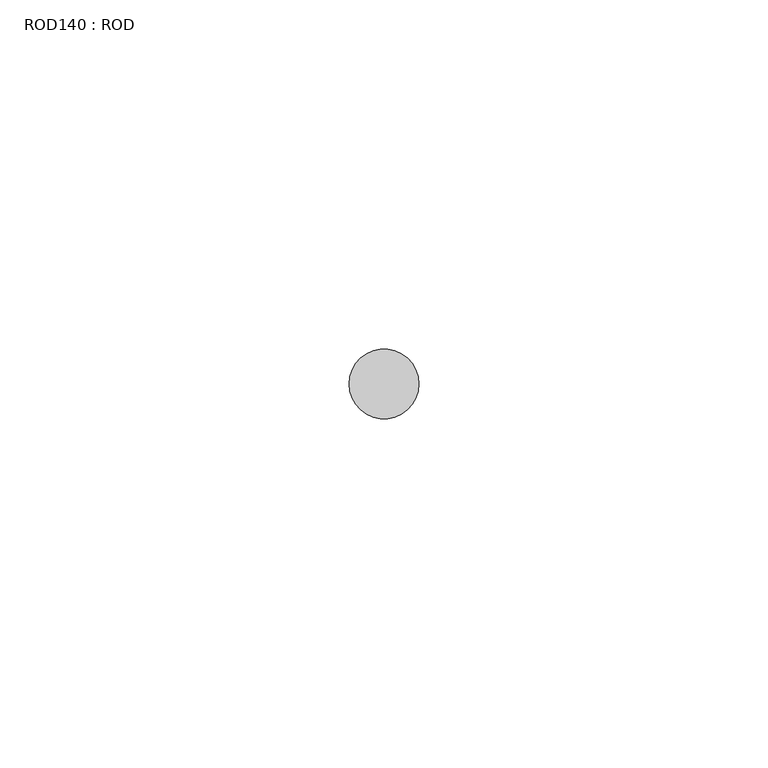
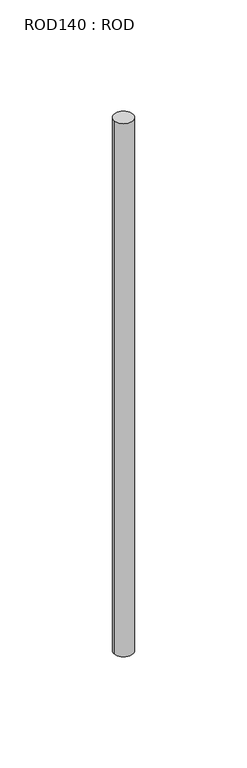
"""IFC4 building model written with IfcOpenShell, lengths in millimetres: proxy geometry, ROD140 : ROD."""

from ifc_helpers import new_model, si_unit, point, frame, frame_2d, origin, place, context, project, spatial, circle_curve, trimmed, segment, composite_curve, outline, extrude, source, transform, mapped, element, save


def rod140_rod_0fb3e6e9(model_context):
    return source(origin(), model_context, "Body", "SweptSolid", [
        extrude(outline(composite_curve([segment(trimmed(circle_curve(frame_2d((-2340.2326676, -23605.8050304)), 5.0), [point((-2345.2326676, -23605.8050304))], [point((-2335.2326676, -23605.8050304))], False, "CARTESIAN"), True, "CONTINUOUS"), segment(trimmed(circle_curve(frame_2d((-2340.2326676, -23605.8050304)), 5.0), [point((-2335.2326676, -23605.8050304))], [point((-2345.2326676, -23605.8050304))], False, "CARTESIAN"), True, "CONTINUOUS")], self_intersect=False)), frame((0.0, 0.0, 166.3391155), z_axis=(0.0, 0.0, 1.0), x_axis=(1.0, 0.0, 0.0)), (0.0, 0.0, 1.0), 298.9028972),
    ])


if __name__ == "__main__":
    model = new_model("IFC4")
    model_context = context("Model", 3, world=origin())
    ifc_project = project(units=[si_unit("LENGTHUNIT", "METRE", prefix="MILLI")], contexts=[model_context])
    site = spatial("IfcSite", under=ifc_project)
    building = spatial("IfcBuilding", under=site)
    placement = place(None, origin())
    rod140_rod_shape = rod140_rod_0fb3e6e9(model_context)
    element("IfcBuildingElementProxy", 1, Name="ROD140 : ROD", ObjectType="ROD140 : ROD", at=placement, inside=building, context=model_context, shape_type="MappedRepresentation", body=[
        mapped(rod140_rod_shape, transform((0.0, 0.0, 0.0), x_axis=(1.0, 0.0, 0.0), y_axis=(0.0, 1.0, 0.0), z_axis=(0.0, 0.0, 1.0))),
    ])
    save(model, "model.ifc")
